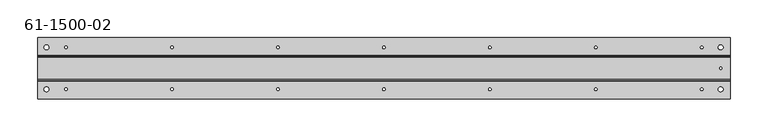
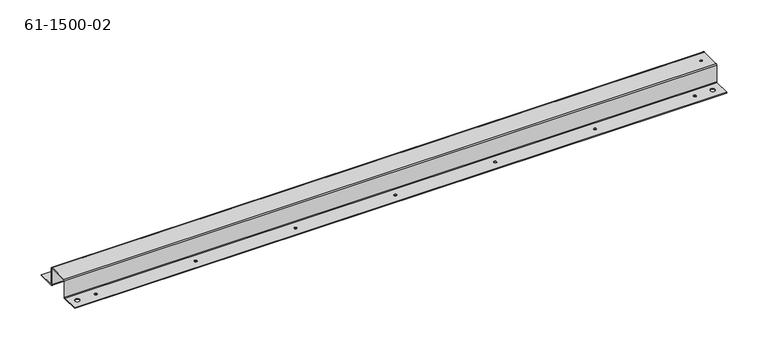
"""IFC4 building model written with IfcOpenShell, lengths in millimetres: proxy geometry, 61-1500-02."""

from ifc_helpers import new_model, si_unit, frame, origin, place, context, project, spatial, polyline, circle_curve, source, transform, mapped, element, save
from ifc_brep_helpers import plane_surface, cylinder_surface, revolved_surface, advanced_brep


def proxy_61_1500_02_a10a2566(model_context):
    return source(origin(), model_context, "Body", "AdvancedBrep", [
        advanced_brep(
        [(-46.8577251, 49.9467453, -26.70556), (-46.8577251, 49.9467453, -25.85212), (-53.2077251, 49.9467453, -25.85212), (-53.2077251, 49.9467453, -26.70556), (842.1422749, 49.9467453, -26.70556), (842.1422749, 49.9467453, -25.85212), (835.7922749, 49.9467453, -25.85212), (835.7922749, 49.9467453, -26.70556), (-46.8577251, -5.4963747, -26.70556), (-46.8577251, -5.4963747, -25.85212), (-53.2077251, -5.4963747, -25.85212), (-53.2077251, -5.4963747, -26.70556), (842.1422749, -5.4963747, -26.70556), (842.1422749, -5.4963747, -25.85212), (835.7922749, -5.4963747, -25.85212), (835.7922749, -5.4963747, -26.70556), (-22.4915051, -5.4963747, -26.70556), (-22.4915051, -5.4963747, -25.85212), (-25.9205051, -5.4963747, -25.85212), (-25.9205051, -5.4963747, -26.70556), (256.9084949, -5.4963747, -26.70556), (256.9084949, -5.4963747, -25.85212), (253.4794949, -5.4963747, -25.85212), (253.4794949, -5.4963747, -26.70556), (536.3084949, -5.4963747, -26.70556), (536.3084949, -5.4963747, -25.85212), (532.8794949, -5.4963747, -25.85212), (532.8794949, -5.4963747, -26.70556), (815.7084949, -5.4963747, -26.70556), (815.7084949, -5.4963747, -25.85212), (812.2794949, -5.4963747, -25.85212), (812.2794949, -5.4963747, -26.70556), (676.0084949, -5.4963747, -26.70556), (676.0084949, -5.4963747, -25.85212), (672.5794949, -5.4963747, -25.85212), (672.5794949, -5.4963747, -26.70556), (396.6084949, -5.4963747, -26.70556), (396.6084949, -5.4963747, -25.85212), (393.1794949, -5.4963747, -25.85212), (393.1794949, -5.4963747, -26.70556), (117.2084949, -5.4963747, -26.70556), (117.2084949, -5.4963747, -25.85212), (113.7794949, -5.4963747, -25.85212), (113.7794949, -5.4963747, -26.70556), (-22.4915051, 49.9467453, -26.70556), (-22.4915051, 49.9467453, -25.85212), (-25.9205051, 49.9467453, -25.85212), (-25.9205051, 49.9467453, -26.70556), (256.9084949, 49.9467453, -26.70556), (256.9084949, 49.9467453, -25.85212), (253.4794949, 49.9467453, -25.85212), (253.4794949, 49.9467453, -26.70556), (536.3084949, 49.9467453, -26.70556), (536.3084949, 49.9467453, -25.85212), (532.8794949, 49.9467453, -25.85212), (532.8794949, 49.9467453, -26.70556), (815.7084949, 49.9467453, -26.70556), (815.7084949, 49.9467453, -25.85212), (812.2794949, 49.9467453, -25.85212), (812.2794949, 49.9467453, -26.70556), (676.0084949, 49.9467453, -26.70556), (676.0084949, 49.9467453, -25.85212), (672.5794949, 49.9467453, -25.85212), (672.5794949, 49.9467453, -26.70556), (396.6084949, 49.9467453, -26.70556), (396.6084949, 49.9467453, -25.85212), (393.1794949, 49.9467453, -25.85212), (393.1794949, 49.9467453, -26.70556), (117.2084949, 49.9467453, -26.70556), (117.2084949, 49.9467453, -25.85212), (113.7794949, 49.9467453, -25.85212), (113.7794949, 49.9467453, -26.70556), (840.4912749, 22.2251853, 0.0), (840.4912749, 22.2251853, 0.85344), (837.4432749, 22.2251853, 0.85344), (837.4432749, 22.2251853, 0.0), (-61.2138051, 36.3933053, 0.85344), (-61.2138051, 8.0570653, 0.85344), (851.3624749, 8.0570653, 0.85344), (851.3624749, 36.3933053, 0.85344), (-61.2138051, 6.3501853, -0.85344), (851.3624749, 6.3501853, -0.85344), (-61.2138051, 6.3501853, -24.99868), (851.3624749, 6.3501853, -24.99868), (-61.2138051, 7.2036253, -24.99868), (-61.2138051, 7.2036253, -0.85344), (851.3624749, 7.2036253, -0.85344), (851.3624749, 7.2036253, -24.99868), (-61.2138051, 8.0570653, 0.0), (851.3624749, 8.0570653, 0.0), (851.3624749, 62.6467453, -25.85212), (851.3624749, 38.9536253, -25.85212), (851.3624749, 38.1001853, -24.99868), (851.3624749, 38.1001853, -0.85344), (851.3624749, 5.4967453, -25.85212), (851.3624749, -18.1963747, -25.85212), (851.3624749, -18.1963747, -26.70556), (851.3624749, 5.4967453, -26.70556), (851.3624749, 36.3933053, 0.0), (851.3624749, 37.2467453, -0.85344), (851.3624749, 37.2467453, -24.99868), (851.3624749, 38.9536253, -26.70556), (851.3624749, 62.6467453, -26.70556), (-61.2138051, 38.1001853, -0.85344), (-61.2138051, 38.1001853, -24.99868), (-61.2138051, 38.9536253, -25.85212), (-61.2138051, 62.6467453, -25.85212), (-61.2138051, 36.3933053, 0.0), (-61.2138051, 62.6467453, -26.70556), (-61.2138051, 38.9536253, -26.70556), (-61.2138051, 5.4967453, -26.70556), (-61.2138051, 37.2467453, -24.99868), (-61.2138051, 37.2467453, -0.85344), (-61.2138051, -18.1963747, -26.70556), (-61.2138051, -18.1963747, -25.85212), (-61.2138051, 5.4967453, -25.85212)],
        [
            (0, 1),
            (1, 2, circle_curve(frame((-50.0327251, 49.9467453, -25.85212), z_axis=(0.0, 0.0, 1.0), x_axis=(1.0, 0.0, 0.0)), 3.175)),
            (2, 3),
            (3, 0, circle_curve(frame((-50.0327251, 49.9467453, -26.70556), z_axis=(0.0, 0.0, -1.0), x_axis=(1.0, 0.0, 0.0)), 3.175)),
            (4, 5),
            (5, 6, circle_curve(frame((838.9672749, 49.9467453, -25.85212), z_axis=(0.0, 0.0, 1.0), x_axis=(1.0, 0.0, 0.0)), 3.175)),
            (6, 7),
            (7, 4, circle_curve(frame((838.9672749, 49.9467453, -26.70556), z_axis=(0.0, 0.0, -1.0), x_axis=(1.0, 0.0, 0.0)), 3.175)),
            (8, 9),
            (9, 10, circle_curve(frame((-50.0327251, -5.4963747, -25.85212), z_axis=(0.0, 0.0, 1.0), x_axis=(1.0, 0.0, 0.0)), 3.175)),
            (10, 11),
            (11, 8, circle_curve(frame((-50.0327251, -5.4963747, -26.70556), z_axis=(0.0, 0.0, -1.0), x_axis=(1.0, 0.0, 0.0)), 3.175)),
            (12, 13),
            (13, 14, circle_curve(frame((838.9672749, -5.4963747, -25.85212), z_axis=(0.0, 0.0, 1.0), x_axis=(1.0, 0.0, 0.0)), 3.175)),
            (14, 15),
            (15, 12, circle_curve(frame((838.9672749, -5.4963747, -26.70556), z_axis=(0.0, 0.0, -1.0), x_axis=(1.0, 0.0, 0.0)), 3.175)),
            (16, 17),
            (17, 18, circle_curve(frame((-24.2060051, -5.4963747, -25.85212), z_axis=(0.0, 0.0, 1.0), x_axis=(1.0, 0.0, 0.0)), 1.7145)),
            (18, 19),
            (19, 16, circle_curve(frame((-24.2060051, -5.4963747, -26.70556), z_axis=(0.0, 0.0, -1.0), x_axis=(1.0, 0.0, 0.0)), 1.7145)),
            (20, 21),
            (21, 22, circle_curve(frame((255.1939949, -5.4963747, -25.85212), z_axis=(0.0, 0.0, 1.0), x_axis=(1.0, 0.0, 0.0)), 1.7145)),
            (22, 23),
            (23, 20, circle_curve(frame((255.1939949, -5.4963747, -26.70556), z_axis=(0.0, 0.0, -1.0), x_axis=(1.0, 0.0, 0.0)), 1.7145)),
            (24, 25),
            (25, 26, circle_curve(frame((534.5939949, -5.4963747, -25.85212), z_axis=(0.0, 0.0, 1.0), x_axis=(1.0, 0.0, 0.0)), 1.7145)),
            (26, 27),
            (27, 24, circle_curve(frame((534.5939949, -5.4963747, -26.70556), z_axis=(0.0, 0.0, -1.0), x_axis=(1.0, 0.0, 0.0)), 1.7145)),
            (28, 29),
            (29, 30, circle_curve(frame((813.9939949, -5.4963747, -25.85212), z_axis=(0.0, 0.0, 1.0), x_axis=(1.0, 0.0, 0.0)), 1.7145)),
            (30, 31),
            (31, 28, circle_curve(frame((813.9939949, -5.4963747, -26.70556), z_axis=(0.0, 0.0, -1.0), x_axis=(1.0, 0.0, 0.0)), 1.7145)),
            (32, 33),
            (33, 34, circle_curve(frame((674.2939949, -5.4963747, -25.85212), z_axis=(0.0, 0.0, 1.0), x_axis=(1.0, 0.0, 0.0)), 1.7145)),
            (34, 35),
            (35, 32, circle_curve(frame((674.2939949, -5.4963747, -26.70556), z_axis=(0.0, 0.0, -1.0), x_axis=(1.0, 0.0, 0.0)), 1.7145)),
            (36, 37),
            (37, 38, circle_curve(frame((394.8939949, -5.4963747, -25.85212), z_axis=(0.0, 0.0, 1.0), x_axis=(1.0, 0.0, 0.0)), 1.7145)),
            (38, 39),
            (39, 36, circle_curve(frame((394.8939949, -5.4963747, -26.70556), z_axis=(0.0, 0.0, -1.0), x_axis=(1.0, 0.0, 0.0)), 1.7145)),
            (40, 41),
            (41, 42, circle_curve(frame((115.4939949, -5.4963747, -25.85212), z_axis=(0.0, 0.0, 1.0), x_axis=(1.0, 0.0, 0.0)), 1.7145)),
            (42, 43),
            (43, 40, circle_curve(frame((115.4939949, -5.4963747, -26.70556), z_axis=(0.0, 0.0, -1.0), x_axis=(1.0, 0.0, 0.0)), 1.7145)),
            (44, 45),
            (45, 46, circle_curve(frame((-24.2060051, 49.9467453, -25.85212), z_axis=(0.0, 0.0, 1.0), x_axis=(1.0, 0.0, 0.0)), 1.7145)),
            (46, 47),
            (47, 44, circle_curve(frame((-24.2060051, 49.9467453, -26.70556), z_axis=(0.0, 0.0, -1.0), x_axis=(1.0, 0.0, 0.0)), 1.7145)),
            (48, 49),
            (49, 50, circle_curve(frame((255.1939949, 49.9467453, -25.85212), z_axis=(0.0, 0.0, 1.0), x_axis=(1.0, 0.0, 0.0)), 1.7145)),
            (50, 51),
            (51, 48, circle_curve(frame((255.1939949, 49.9467453, -26.70556), z_axis=(0.0, 0.0, -1.0), x_axis=(1.0, 0.0, 0.0)), 1.7145)),
            (52, 53),
            (53, 54, circle_curve(frame((534.5939949, 49.9467453, -25.85212), z_axis=(0.0, 0.0, 1.0), x_axis=(1.0, 0.0, 0.0)), 1.7145)),
            (54, 55),
            (55, 52, circle_curve(frame((534.5939949, 49.9467453, -26.70556), z_axis=(0.0, 0.0, -1.0), x_axis=(1.0, 0.0, 0.0)), 1.7145)),
            (56, 57),
            (57, 58, circle_curve(frame((813.9939949, 49.9467453, -25.85212), z_axis=(0.0, 0.0, 1.0), x_axis=(1.0, 0.0, 0.0)), 1.7145)),
            (58, 59),
            (59, 56, circle_curve(frame((813.9939949, 49.9467453, -26.70556), z_axis=(0.0, 0.0, -1.0), x_axis=(1.0, 0.0, 0.0)), 1.7145)),
            (60, 61),
            (61, 62, circle_curve(frame((674.2939949, 49.9467453, -25.85212), z_axis=(0.0, 0.0, 1.0), x_axis=(1.0, 0.0, 0.0)), 1.7145)),
            (62, 63),
            (63, 60, circle_curve(frame((674.2939949, 49.9467453, -26.70556), z_axis=(0.0, 0.0, -1.0), x_axis=(1.0, 0.0, 0.0)), 1.7145)),
            (64, 65),
            (65, 66, circle_curve(frame((394.8939949, 49.9467453, -25.85212), z_axis=(0.0, 0.0, 1.0), x_axis=(1.0, 0.0, 0.0)), 1.7145)),
            (66, 67),
            (67, 64, circle_curve(frame((394.8939949, 49.9467453, -26.70556), z_axis=(0.0, 0.0, -1.0), x_axis=(1.0, 0.0, 0.0)), 1.7145)),
            (68, 69),
            (69, 70, circle_curve(frame((115.4939949, 49.9467453, -25.85212), z_axis=(0.0, 0.0, 1.0), x_axis=(1.0, 0.0, 0.0)), 1.7145)),
            (70, 71),
            (71, 68, circle_curve(frame((115.4939949, 49.9467453, -26.70556), z_axis=(0.0, 0.0, -1.0), x_axis=(1.0, 0.0, 0.0)), 1.7145)),
            (72, 73),
            (73, 74, circle_curve(frame((838.9672749, 22.2251853, 0.85344), z_axis=(0.0, 0.0, 1.0), x_axis=(1.0, 0.0, 0.0)), 1.524)),
            (74, 75),
            (75, 72, circle_curve(frame((838.9672749, 22.2251853, 0.0), z_axis=(0.0, 0.0, -1.0), x_axis=(1.0, 0.0, 0.0)), 1.524)),
            (76, 77),
            (77, 78),
            (78, 79),
            (79, 76),
            (73, 74, circle_curve(frame((838.9672749, 22.2251853, 0.85344), z_axis=(0.0, 0.0, -1.0), x_axis=(1.0, 0.0, 0.0)), 1.524)),
            (77, 80, circle_curve(frame((-61.2138051, 8.0570653, -0.85344), z_axis=(1.0, 0.0, 0.0), x_axis=(0.0, 0.0, 1.0)), 1.70688)),
            (80, 81),
            (81, 78, circle_curve(frame((851.3624749, 8.0570653, -0.85344), z_axis=(-1.0, 0.0, 0.0), x_axis=(0.0, 0.0, 1.0)), 1.70688)),
            (80, 82),
            (82, 83),
            (83, 81),
            (84, 85),
            (85, 86),
            (86, 87),
            (87, 84),
            (85, 88, circle_curve(frame((-61.2138051, 8.0570653, -0.85344), z_axis=(-1.0, 0.0, 0.0), x_axis=(0.0, 0.0, 1.0)), 0.85344)),
            (88, 89),
            (89, 86, circle_curve(frame((851.3624749, 8.0570653, -0.85344), z_axis=(1.0, 0.0, 0.0), x_axis=(0.0, 0.0, 1.0)), 0.85344)),
            (90, 91),
            (91, 92, circle_curve(frame((851.3624749, 38.9536253, -24.99868), z_axis=(-1.0, 0.0, 0.0), x_axis=(0.0, -1.0, 0.0)), 0.85344)),
            (92, 93),
            (93, 79, circle_curve(frame((851.3624749, 36.3933053, -0.85344), z_axis=(1.0, 0.0, 0.0), x_axis=(0.0, 0.0, 1.0)), 1.70688)),
            (83, 94, circle_curve(frame((851.3624749, 5.4967453, -24.99868), z_axis=(-1.0, 0.0, 0.0), x_axis=(0.0, 1.0, 0.0)), 0.85344)),
            (94, 95),
            (95, 96),
            (96, 97),
            (97, 87, circle_curve(frame((851.3624749, 5.4967453, -24.99868), z_axis=(1.0, 0.0, 0.0), x_axis=(0.0, 1.0, 0.0)), 1.70688)),
            (89, 98),
            (98, 99, circle_curve(frame((851.3624749, 36.3933053, -0.85344), z_axis=(-1.0, 0.0, 0.0), x_axis=(0.0, 0.0, 1.0)), 0.85344)),
            (99, 100),
            (100, 101, circle_curve(frame((851.3624749, 38.9536253, -24.99868), z_axis=(1.0, 0.0, 0.0), x_axis=(0.0, -1.0, 0.0)), 1.70688)),
            (101, 102),
            (102, 90),
            (103, 76, circle_curve(frame((-61.2138051, 36.3933053, -0.85344), z_axis=(1.0, 0.0, 0.0), x_axis=(0.0, 0.0, 1.0)), 1.70688)),
            (93, 103),
            (104, 103),
            (92, 104),
            (91, 105),
            (105, 104, circle_curve(frame((-61.2138051, 38.9536253, -24.99868), z_axis=(-1.0, 0.0, 0.0), x_axis=(0.0, -1.0, 0.0)), 0.85344)),
            (90, 106),
            (106, 105),
            (69, 70, circle_curve(frame((115.4939949, 49.9467453, -25.85212), z_axis=(0.0, 0.0, -1.0), x_axis=(1.0, 0.0, 0.0)), 1.7145)),
            (65, 66, circle_curve(frame((394.8939949, 49.9467453, -25.85212), z_axis=(0.0, 0.0, -1.0), x_axis=(1.0, 0.0, 0.0)), 1.7145)),
            (61, 62, circle_curve(frame((674.2939949, 49.9467453, -25.85212), z_axis=(0.0, 0.0, -1.0), x_axis=(1.0, 0.0, 0.0)), 1.7145)),
            (57, 58, circle_curve(frame((813.9939949, 49.9467453, -25.85212), z_axis=(0.0, 0.0, -1.0), x_axis=(1.0, 0.0, 0.0)), 1.7145)),
            (53, 54, circle_curve(frame((534.5939949, 49.9467453, -25.85212), z_axis=(0.0, 0.0, -1.0), x_axis=(1.0, 0.0, 0.0)), 1.7145)),
            (49, 50, circle_curve(frame((255.1939949, 49.9467453, -25.85212), z_axis=(0.0, 0.0, -1.0), x_axis=(1.0, 0.0, 0.0)), 1.7145)),
            (45, 46, circle_curve(frame((-24.2060051, 49.9467453, -25.85212), z_axis=(0.0, 0.0, -1.0), x_axis=(1.0, 0.0, 0.0)), 1.7145)),
            (5, 6, circle_curve(frame((838.9672749, 49.9467453, -25.85212), z_axis=(0.0, 0.0, -1.0), x_axis=(1.0, 0.0, 0.0)), 3.175)),
            (1, 2, circle_curve(frame((-50.0327251, 49.9467453, -25.85212), z_axis=(0.0, 0.0, -1.0), x_axis=(1.0, 0.0, 0.0)), 3.175)),
            (88, 107),
            (107, 98),
            (75, 72, circle_curve(frame((838.9672749, 22.2251853, 0.0), z_axis=(0.0, 0.0, 1.0), x_axis=(1.0, 0.0, 0.0)), 1.524)),
            (102, 108),
            (108, 106),
            (101, 109),
            (109, 108),
            (71, 68, circle_curve(frame((115.4939949, 49.9467453, -26.70556), z_axis=(0.0, 0.0, 1.0), x_axis=(1.0, 0.0, 0.0)), 1.7145)),
            (67, 64, circle_curve(frame((394.8939949, 49.9467453, -26.70556), z_axis=(0.0, 0.0, 1.0), x_axis=(1.0, 0.0, 0.0)), 1.7145)),
            (63, 60, circle_curve(frame((674.2939949, 49.9467453, -26.70556), z_axis=(0.0, 0.0, 1.0), x_axis=(1.0, 0.0, 0.0)), 1.7145)),
            (59, 56, circle_curve(frame((813.9939949, 49.9467453, -26.70556), z_axis=(0.0, 0.0, 1.0), x_axis=(1.0, 0.0, 0.0)), 1.7145)),
            (55, 52, circle_curve(frame((534.5939949, 49.9467453, -26.70556), z_axis=(0.0, 0.0, 1.0), x_axis=(1.0, 0.0, 0.0)), 1.7145)),
            (51, 48, circle_curve(frame((255.1939949, 49.9467453, -26.70556), z_axis=(0.0, 0.0, 1.0), x_axis=(1.0, 0.0, 0.0)), 1.7145)),
            (47, 44, circle_curve(frame((-24.2060051, 49.9467453, -26.70556), z_axis=(0.0, 0.0, 1.0), x_axis=(1.0, 0.0, 0.0)), 1.7145)),
            (7, 4, circle_curve(frame((838.9672749, 49.9467453, -26.70556), z_axis=(0.0, 0.0, 1.0), x_axis=(1.0, 0.0, 0.0)), 3.175)),
            (3, 0, circle_curve(frame((-50.0327251, 49.9467453, -26.70556), z_axis=(0.0, 0.0, 1.0), x_axis=(1.0, 0.0, 0.0)), 3.175)),
            (97, 110),
            (110, 84, circle_curve(frame((-61.2138051, 5.4967453, -24.99868), z_axis=(1.0, 0.0, 0.0), x_axis=(0.0, 1.0, 0.0)), 1.70688)),
            (109, 111, circle_curve(frame((-61.2138051, 38.9536253, -24.99868), z_axis=(-1.0, 0.0, 0.0), x_axis=(0.0, -1.0, 0.0)), 1.70688)),
            (111, 112),
            (112, 107, circle_curve(frame((-61.2138051, 36.3933053, -0.85344), z_axis=(1.0, 0.0, 0.0), x_axis=(0.0, 0.0, 1.0)), 0.85344)),
            (110, 113),
            (113, 114),
            (114, 115),
            (115, 82, circle_curve(frame((-61.2138051, 5.4967453, -24.99868), z_axis=(1.0, 0.0, 0.0), x_axis=(0.0, 1.0, 0.0)), 0.85344)),
            (40, 43, circle_curve(frame((115.4939949, -5.4963747, -26.70556), z_axis=(0.0, 0.0, -1.0), x_axis=(1.0, 0.0, 0.0)), 1.7145)),
            (42, 41, circle_curve(frame((115.4939949, -5.4963747, -25.85212), z_axis=(0.0, 0.0, 1.0), x_axis=(1.0, 0.0, 0.0)), 1.7145)),
            (36, 39, circle_curve(frame((394.8939949, -5.4963747, -26.70556), z_axis=(0.0, 0.0, -1.0), x_axis=(1.0, 0.0, 0.0)), 1.7145)),
            (38, 37, circle_curve(frame((394.8939949, -5.4963747, -25.85212), z_axis=(0.0, 0.0, 1.0), x_axis=(1.0, 0.0, 0.0)), 1.7145)),
            (32, 35, circle_curve(frame((674.2939949, -5.4963747, -26.70556), z_axis=(0.0, 0.0, -1.0), x_axis=(1.0, 0.0, 0.0)), 1.7145)),
            (34, 33, circle_curve(frame((674.2939949, -5.4963747, -25.85212), z_axis=(0.0, 0.0, 1.0), x_axis=(1.0, 0.0, 0.0)), 1.7145)),
            (28, 31, circle_curve(frame((813.9939949, -5.4963747, -26.70556), z_axis=(0.0, 0.0, -1.0), x_axis=(1.0, 0.0, 0.0)), 1.7145)),
            (30, 29, circle_curve(frame((813.9939949, -5.4963747, -25.85212), z_axis=(0.0, 0.0, 1.0), x_axis=(1.0, 0.0, 0.0)), 1.7145)),
            (24, 27, circle_curve(frame((534.5939949, -5.4963747, -26.70556), z_axis=(0.0, 0.0, -1.0), x_axis=(1.0, 0.0, 0.0)), 1.7145)),
            (26, 25, circle_curve(frame((534.5939949, -5.4963747, -25.85212), z_axis=(0.0, 0.0, 1.0), x_axis=(1.0, 0.0, 0.0)), 1.7145)),
            (20, 23, circle_curve(frame((255.1939949, -5.4963747, -26.70556), z_axis=(0.0, 0.0, -1.0), x_axis=(1.0, 0.0, 0.0)), 1.7145)),
            (22, 21, circle_curve(frame((255.1939949, -5.4963747, -25.85212), z_axis=(0.0, 0.0, 1.0), x_axis=(1.0, 0.0, 0.0)), 1.7145)),
            (16, 19, circle_curve(frame((-24.2060051, -5.4963747, -26.70556), z_axis=(0.0, 0.0, -1.0), x_axis=(1.0, 0.0, 0.0)), 1.7145)),
            (18, 17, circle_curve(frame((-24.2060051, -5.4963747, -25.85212), z_axis=(0.0, 0.0, 1.0), x_axis=(1.0, 0.0, 0.0)), 1.7145)),
            (12, 15, circle_curve(frame((838.9672749, -5.4963747, -26.70556), z_axis=(0.0, 0.0, -1.0), x_axis=(1.0, 0.0, 0.0)), 3.175)),
            (14, 13, circle_curve(frame((838.9672749, -5.4963747, -25.85212), z_axis=(0.0, 0.0, 1.0), x_axis=(1.0, 0.0, 0.0)), 3.175)),
            (8, 11, circle_curve(frame((-50.0327251, -5.4963747, -26.70556), z_axis=(0.0, 0.0, -1.0), x_axis=(1.0, 0.0, 0.0)), 3.175)),
            (10, 9, circle_curve(frame((-50.0327251, -5.4963747, -25.85212), z_axis=(0.0, 0.0, 1.0), x_axis=(1.0, 0.0, 0.0)), 3.175)),
            (115, 94),
            (100, 111),
            (99, 112),
            (96, 113),
            (95, 114),
        ],
        [
            revolved_surface(polyline([(-46.8577251, 49.9467453, -25.85212), (-46.8577251, 49.9467453, -26.70556)]), (-50.0327251, 49.9467453, -35.37712), (0.0, 0.0, 1.0)),
            revolved_surface(polyline([(842.1422749, 49.9467453, -25.85212), (842.1422749, 49.9467453, -26.70556)]), (838.9672749, 49.9467453, -35.37712), (0.0, 0.0, 1.0)),
            revolved_surface(polyline([(-46.8577251, -5.4963747, -25.85212), (-46.8577251, -5.4963747, -26.70556)]), (-50.0327251, -5.4963747, -35.37712), (0.0, 0.0, 1.0)),
            revolved_surface(polyline([(842.1422749, -5.4963747, -25.85212), (842.1422749, -5.4963747, -26.70556)]), (838.9672749, -5.4963747, -35.37712), (0.0, 0.0, 1.0)),
            revolved_surface(polyline([(-22.491505099999998, -5.4963747, -25.85212), (-22.491505099999998, -5.4963747, -26.70556)]), (-24.2060051, -5.4963747, -35.37712), (0.0, 0.0, 1.0)),
            revolved_surface(polyline([(256.9084949, -5.4963747, -25.85212), (256.9084949, -5.4963747, -26.70556)]), (255.1939949, -5.4963747, -35.37712), (0.0, 0.0, 1.0)),
            revolved_surface(polyline([(536.3084949, -5.4963747, -25.85212), (536.3084949, -5.4963747, -26.70556)]), (534.5939949, -5.4963747, -35.37712), (0.0, 0.0, 1.0)),
            revolved_surface(polyline([(815.7084949, -5.4963747, -25.85212), (815.7084949, -5.4963747, -26.70556)]), (813.9939949, -5.4963747, -35.37712), (0.0, 0.0, 1.0)),
            revolved_surface(polyline([(676.0084949000001, -5.4963747, -25.85212), (676.0084949000001, -5.4963747, -26.70556)]), (674.2939949, -5.4963747, -35.37712), (0.0, 0.0, 1.0)),
            revolved_surface(polyline([(396.6084949, -5.4963747, -25.85212), (396.6084949, -5.4963747, -26.70556)]), (394.8939949, -5.4963747, -35.37712), (0.0, 0.0, 1.0)),
            revolved_surface(polyline([(117.2084949, -5.4963747, -25.85212), (117.2084949, -5.4963747, -26.70556)]), (115.4939949, -5.4963747, -35.37712), (0.0, 0.0, 1.0)),
            revolved_surface(polyline([(-22.491505099999998, 49.9467453, -25.85212), (-22.491505099999998, 49.9467453, -26.70556)]), (-24.2060051, 49.9467453, -35.37712), (0.0, 0.0, 1.0)),
            revolved_surface(polyline([(256.9084949, 49.9467453, -25.85212), (256.9084949, 49.9467453, -26.70556)]), (255.1939949, 49.9467453, -35.37712), (0.0, 0.0, 1.0)),
            revolved_surface(polyline([(536.3084949, 49.9467453, -25.85212), (536.3084949, 49.9467453, -26.70556)]), (534.5939949, 49.9467453, -35.37712), (0.0, 0.0, 1.0)),
            revolved_surface(polyline([(815.7084949, 49.9467453, -25.85212), (815.7084949, 49.9467453, -26.70556)]), (813.9939949, 49.9467453, -35.37712), (0.0, 0.0, 1.0)),
            revolved_surface(polyline([(676.0084949000001, 49.9467453, -25.85212), (676.0084949000001, 49.9467453, -26.70556)]), (674.2939949, 49.9467453, -35.37712), (0.0, 0.0, 1.0)),
            revolved_surface(polyline([(396.6084949, 49.9467453, -25.85212), (396.6084949, 49.9467453, -26.70556)]), (394.8939949, 49.9467453, -35.37712), (0.0, 0.0, 1.0)),
            revolved_surface(polyline([(117.2084949, 49.9467453, -25.85212), (117.2084949, 49.9467453, -26.70556)]), (115.4939949, 49.9467453, -35.37712), (0.0, 0.0, 1.0)),
            revolved_surface(polyline([(840.4912749, 22.2251853, 0.8534399999999991), (840.4912749, 22.2251853, 0.0)]), (838.9672749, 22.2251853, -8.67156), (0.0, 0.0, 1.0)),
            plane_surface(frame((381.7672749, 22.2251853, 0.85344), z_axis=(0.0, 0.0, 1.0), x_axis=(1.0, 0.0, 0.0))),
            cylinder_surface(frame((394.4672749, 8.0570653, -0.85344), z_axis=(1.0, 0.0, 0.0), x_axis=(0.0, 0.0, 1.0)), 1.70688),
            plane_surface(frame((394.4672749, 6.3501853, -12.92606), z_axis=(0.0, -1.0, 0.0), x_axis=(0.0, 0.0, 1.0))),
            plane_surface(frame((394.4672749, 7.2036253, -12.92606), z_axis=(0.0, 1.0, 0.0), x_axis=(0.0, 0.0, 1.0))),
            revolved_surface(polyline([(851.3624749, 8.0570653, 0.0), (-61.2138051, 8.0570653, 0.0)]), (394.4672749, 8.0570653, -0.85344), (1.0, 0.0, 0.0)),
            plane_surface(frame((851.3624749, -18.1963747, -26.70556), z_axis=(1.0, 0.0, 0.0), x_axis=(0.0, 0.0, 1.0))),
            cylinder_surface(frame((394.4672749, 36.3933053, -0.85344), z_axis=(-1.0, 0.0, 0.0), x_axis=(0.0, 0.0, 1.0)), 1.70688),
            plane_surface(frame((394.4672749, 38.1001853, -12.92606), z_axis=(0.0, 1.0, 0.0), x_axis=(0.0, 0.0, 1.0))),
            revolved_surface(polyline([(851.3624749, 38.1001853, -24.99868), (-61.2138051, 38.1001853, -24.99868)]), (394.4672749, 38.9536253, -24.99868), (1.0, 0.0, 0.0)),
            plane_surface(frame((394.4672749, 49.9467453, -25.85212), z_axis=(0.0, 0.0, 1.0), x_axis=(1.0, 0.0, 0.0))),
            plane_surface(frame((381.7672749, 22.2251853, 0.0), z_axis=(0.0, 0.0, -1.0), x_axis=(1.0, 0.0, 0.0))),
            plane_surface(frame((-62.7327251, 62.6467453, -26.70556), z_axis=(0.0, 1.0, 0.0), x_axis=(0.0, 0.0, 1.0))),
            plane_surface(frame((394.4672749, 49.9467453, -26.70556), z_axis=(0.0, 0.0, -1.0), x_axis=(1.0, 0.0, 0.0))),
            cylinder_surface(frame((394.4672749, 5.4967453, -24.99868), z_axis=(-1.0, 0.0, 0.0), x_axis=(0.0, 1.0, 0.0)), 1.70688),
            plane_surface(frame((-61.2138051, 62.6467453, -26.70556), z_axis=(-1.0, 0.0, 0.0), x_axis=(0.0, 0.0, -1.0))),
            revolved_surface(polyline([(-61.2138051, 6.3501853, -24.99868), (851.3624749, 6.3501853, -24.99868)]), (394.4672749, 5.4967453, -24.99868), (-1.0, 0.0, 0.0)),
            cylinder_surface(frame((394.4672749, 38.9536253, -24.99868), z_axis=(1.0, 0.0, 0.0), x_axis=(0.0, -1.0, 0.0)), 1.70688),
            plane_surface(frame((394.4672749, 37.2467453, -12.92606), z_axis=(0.0, -1.0, 0.0), x_axis=(0.0, 0.0, 1.0))),
            revolved_surface(polyline([(-61.2138051, 36.3933053, 0.0), (851.3624749, 36.3933053, 0.0)]), (394.4672749, 36.3933053, -0.85344), (-1.0, 0.0, 0.0)),
            plane_surface(frame((394.4672749, -5.4963747, -26.70556), z_axis=(0.0, 0.0, -1.0), x_axis=(1.0, 0.0, 0.0))),
            plane_surface(frame((851.6672749, -18.1963747, -26.70556), z_axis=(0.0, -1.0, 0.0), x_axis=(0.0, 0.0, -1.0))),
            plane_surface(frame((394.4672749, -5.4963747, -25.85212), z_axis=(0.0, 0.0, 1.0), x_axis=(1.0, 0.0, 0.0))),
        ],
        [
            (0, [[1, 2, 3, 4]]),
            (1, [[5, 6, 7, 8]]),
            (2, [[9, 10, 11, 12]]),
            (3, [[13, 14, 15, 16]]),
            (4, [[17, 18, 19, 20]]),
            (5, [[21, 22, 23, 24]]),
            (6, [[25, 26, 27, 28]]),
            (7, [[29, 30, 31, 32]]),
            (8, [[33, 34, 35, 36]]),
            (9, [[37, 38, 39, 40]]),
            (10, [[41, 42, 43, 44]]),
            (11, [[45, 46, 47, 48]]),
            (12, [[49, 50, 51, 52]]),
            (13, [[53, 54, 55, 56]]),
            (14, [[57, 58, 59, 60]]),
            (15, [[61, 62, 63, 64]]),
            (16, [[65, 66, 67, 68]]),
            (17, [[69, 70, 71, 72]]),
            (18, [[73, 74, 75, 76]]),
            (19, [[77, 78, 79, 80], [81, -74]]),
            (20, [[82, 83, 84, -78]]),
            (21, [[85, 86, 87, -83]]),
            (22, [[88, 89, 90, 91]]),
            (23, [[92, 93, 94, -89]]),
            (24, [[95, 96, 97, 98, -79, -84, -87, 99, 100, 101, 102, 103, -90, -94, 104, 105, 106, 107, 108, 109]]),
            (25, [[110, -80, -98, 111]]),
            (26, [[112, -111, -97, 113]]),
            (27, [[-96, 114, 115, -113]]),
            (28, [[-95, 116, 117, -114], [118, -70], [119, -66], [120, -62], [121, -58], [122, -54], [123, -50], [124, -46], [125, -6], [126, -2]]),
            (29, [[127, 128, -104, -93], [129, -76]]),
            (30, [[-109, 130, 131, -116]]),
            (31, [[-108, 132, 133, -130], [134, -72], [135, -68], [136, -64], [137, -60], [138, -56], [139, -52], [140, -48], [141, -8], [142, -4]]),
            (32, [[-103, 143, 144, -91]]),
            (18, [[-73, -129, -75, -81]]),
            (33, [[145, 146, 147, -127, -92, -88, -144, 148, 149, 150, 151, -85, -82, -77, -110, -112, -115, -117, -131, -133]]),
            (17, [[-69, -134, -71, -118]]),
            (16, [[-65, -135, -67, -119]]),
            (15, [[-61, -136, -63, -120]]),
            (14, [[-57, -137, -59, -121]]),
            (13, [[-53, -138, -55, -122]]),
            (12, [[-49, -139, -51, -123]]),
            (11, [[-45, -140, -47, -124]]),
            (10, [[-41, 152, -43, 153]]),
            (9, [[-37, 154, -39, 155]]),
            (8, [[-33, 156, -35, 157]]),
            (7, [[-29, 158, -31, 159]]),
            (6, [[-25, 160, -27, 161]]),
            (5, [[-21, 162, -23, 163]]),
            (4, [[-17, 164, -19, 165]]),
            (3, [[-13, 166, -15, 167]]),
            (2, [[-9, 168, -11, 169]]),
            (1, [[-5, -141, -7, -125]]),
            (0, [[-1, -142, -3, -126]]),
            (34, [[-99, -86, -151, 170]]),
            (35, [[-107, 171, -145, -132]]),
            (36, [[-146, -171, -106, 172]]),
            (37, [[-147, -172, -105, -128]]),
            (38, [[-102, 173, -148, -143], [-152, -44], [-154, -40], [-156, -36], [-158, -32], [-160, -28], [-162, -24], [-164, -20], [-166, -16], [-168, -12]]),
            (39, [[-101, 174, -149, -173]]),
            (40, [[-100, -170, -150, -174], [-153, -42], [-155, -38], [-157, -34], [-159, -30], [-161, -26], [-163, -22], [-165, -18], [-167, -14], [-169, -10]]),
        ],
    ),
    ])


if __name__ == "__main__":
    model = new_model("IFC4")
    model_context = context("Model", 3, world=origin())
    ifc_project = project(units=[si_unit("LENGTHUNIT", "METRE", prefix="MILLI")], contexts=[model_context])
    site = spatial("IfcSite", under=ifc_project)
    building = spatial("IfcBuilding", under=site)
    placement = place(None, origin())
    proxy_61_1500_02_shape = proxy_61_1500_02_a10a2566(model_context)
    element("IfcBuildingElementProxy", 1, Name="61-1500-02", ObjectType="61-1500-02", at=placement, inside=building, context=model_context, shape_type="MappedRepresentation", body=[
        mapped(proxy_61_1500_02_shape, transform((0.0, 0.0, 0.0), x_axis=(1.0, 0.0, 0.0), y_axis=(0.0, 1.0, 0.0), z_axis=(0.0, 0.0, 1.0))),
    ])
    save(model, "model.ifc")
